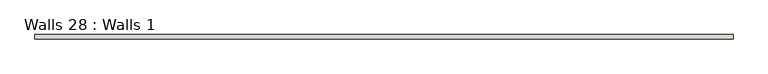
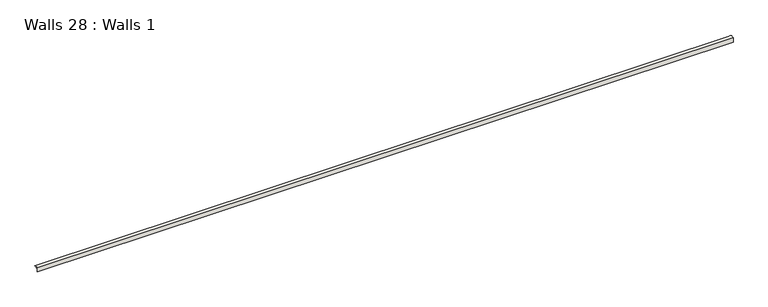
"""IFC4 building model written with IfcOpenShell, lengths in millimetres: wall geometry, Walls 28 : Walls 1."""

from ifc_helpers import new_model, si_unit, point, frame, frame_2d, origin, place, context, project, spatial, polyline, circle_curve, trimmed, segment, composite_curve, outline, extrude, source, transform, mapped, element, save


def walls_28_walls_1_b492e893(model_context):
    return source(origin(), model_context, "Body", "SweptSolid", [
        extrude(outline(composite_curve([segment(polyline([(1586.805237, 3.1732159), (1586.805237, 0.0), (1580.455237, 0.0), (1580.455237, -9.8564932), (1578.9123565, -9.8564932), (1578.9123565, 4.8468939)]), True, "CONTINUOUS"), segment(trimmed(circle_curve(frame_2d((1584.8827833, -5.7849882)), 12.1935603), [point((1578.9123565, 4.8468939))], [point((1593.155237, 3.1732159))], False, "CARTESIAN"), True, "CONTINUOUS"), segment(polyline([(1593.155237, 3.1732159), (1586.805237, 3.1732159)]), True, "CONTINUOUS")], self_intersect=False)), frame((1117.89031, 0.0, 0.0), z_axis=(1.0, 0.0, 0.0), x_axis=(0.0, 1.0, 0.0)), (0.0, 0.0, 1.0), 2286.0),
    ])


if __name__ == "__main__":
    model = new_model("IFC4")
    model_context = context("Model", 3, world=origin())
    ifc_project = project(units=[si_unit("LENGTHUNIT", "METRE", prefix="MILLI")], contexts=[model_context])
    site = spatial("IfcSite", under=ifc_project)
    building = spatial("IfcBuilding", under=site)
    placement = place(None, origin())
    walls_28_walls_1_shape = walls_28_walls_1_b492e893(model_context)
    element("IfcWall", 1, ObjectType="Walls 28 : Walls 1", at=placement, inside=building, context=model_context, shape_type="MappedRepresentation", body=[
        mapped(walls_28_walls_1_shape, transform((0.0, 0.0, 0.0), x_axis=(1.0, 0.0, 0.0), y_axis=(0.0, 1.0, 0.0), z_axis=(0.0, 0.0, 1.0))),
    ])
    save(model, "model.ifc")
